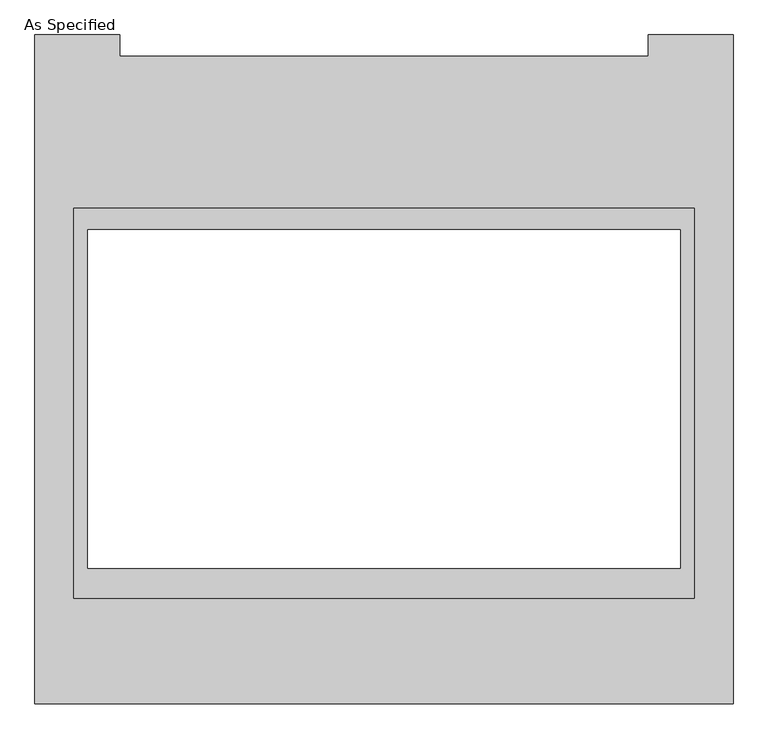
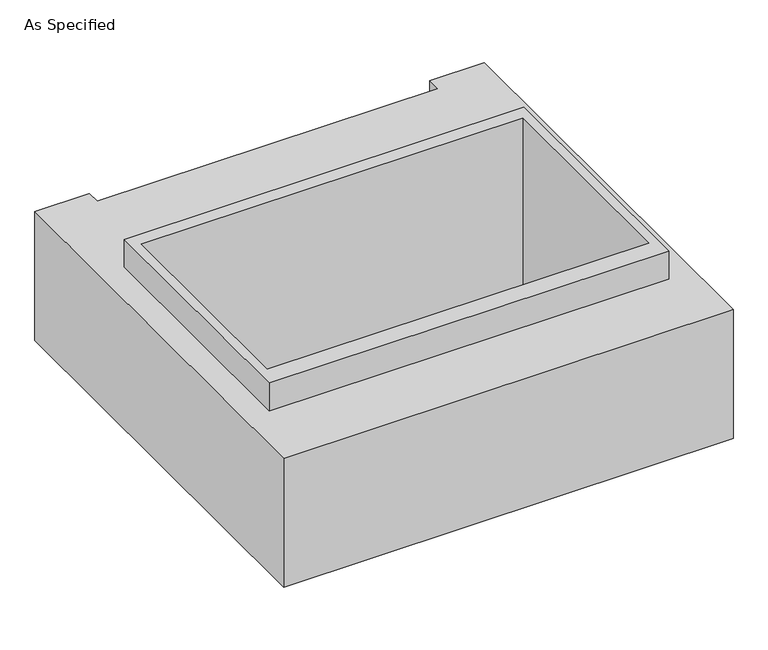
"""IFC4 building model written with IfcOpenShell, lengths in millimetres: proxy geometry, As Specified."""

from ifc_helpers import new_model, si_unit, origin, place, context, project, spatial, faceted_brep, source, transform, mapped, element, save


def as_specified_74908e5c(model_context):
    return source(origin(), model_context, "Body", "Brep", [
        faceted_brep([(1117.6, 617.934375, 139.7), (-1117.6, 617.934375, 139.7), (-1117.6, -785.415625, 139.7), (1117.6, -785.415625, 139.7), (-1066.8, 541.7740625, 139.7), (1066.8, 541.7740625, 139.7), (1066.8, -677.4259375, 139.7), (-1066.8, -677.4259375, 139.7), (1117.6, 617.934375, -952.5), (1117.6, -785.415625, -952.5), (-1117.6, -785.415625, -952.5), (-1117.6, 617.934375, -952.5), (-1066.8, 541.7740625, -952.5), (-1066.8, -677.4259375, -952.5), (1066.8, -677.4259375, -952.5), (1066.8, 541.7740625, -952.5), (1117.6, 617.934375, -25.4), (-1117.6, 617.934375, -25.4), (-1117.6, 617.934375, -787.4), (1117.6, 617.934375, -787.4), (-1117.6, -785.415625, -25.4), (-1117.6, -785.415625, -787.4), (1117.6, -785.415625, -25.4), (1117.6, -785.415625, -787.4), (1257.3, -1166.415625, -787.4), (-1257.3, -1166.415625, -787.4), (-1257.3, 1242.774375, -787.4), (-952.5, 1242.774375, -787.4), (-952.5, 1166.415625, -787.4), (952.5, 1166.415625, -787.4), (952.5, 1242.774375, -787.4), (1257.3, 1242.774375, -787.4), (1257.3, 1242.774375, -25.4), (952.5, 1242.774375, -25.4), (952.5, 1166.415625, -25.4), (-952.5, 1166.415625, -25.4), (-952.5, 1242.774375, -25.4), (-1257.3, 1242.774375, -25.4), (-1257.3, -1166.415625, -25.4), (1257.3, -1166.415625, -25.4)], [[[0, 1, 2, 3], [4, 5, 6, 7]], [[8, 9, 10, 11], [12, 13, 14, 15]], [[1, 0, 16, 17]], [[8, 11, 18, 19]], [[2, 1, 17, 20]], [[11, 10, 21, 18]], [[3, 2, 20, 22]], [[10, 9, 23, 21]], [[0, 3, 22, 16]], [[9, 8, 19, 23]], [[5, 4, 12, 15]], [[6, 5, 15, 14]], [[7, 6, 14, 13]], [[4, 7, 13, 12]], [[24, 25, 26, 27, 28, 29, 30, 31], [19, 18, 21, 23]], [[32, 33, 34, 35, 36, 37, 38, 39], [17, 16, 22, 20]], [[28, 35, 34, 29]], [[24, 39, 38, 25]], [[24, 31, 32, 39]], [[37, 26, 25, 38]], [[27, 26, 37, 36]], [[28, 27, 36, 35]], [[31, 30, 33, 32]], [[30, 29, 34, 33]]]),
    ])


if __name__ == "__main__":
    model = new_model("IFC4")
    model_context = context("Model", 3, world=origin())
    ifc_project = project(units=[si_unit("LENGTHUNIT", "METRE", prefix="MILLI")], contexts=[model_context])
    site = spatial("IfcSite", under=ifc_project)
    building = spatial("IfcBuilding", under=site)
    placement = place(None, origin())
    as_specified_shape = as_specified_74908e5c(model_context)
    element("IfcBuildingElementProxy", 1, Name="As Specified", ObjectType="As Specified", at=placement, inside=building, context=model_context, shape_type="MappedRepresentation", body=[
        mapped(as_specified_shape, transform((0.0, 0.0, 0.0), x_axis=(1.0, 0.0, 0.0), y_axis=(0.0, 1.0, 0.0), z_axis=(0.0, 0.0, 1.0))),
    ])
    save(model, "model.ifc")
